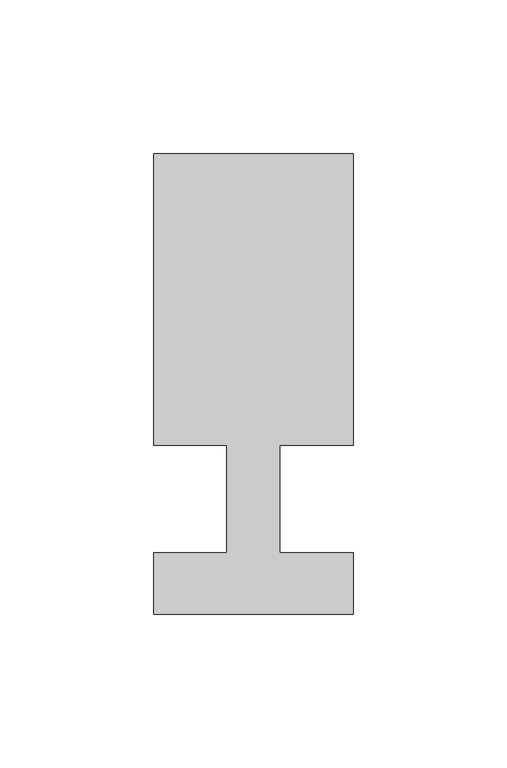
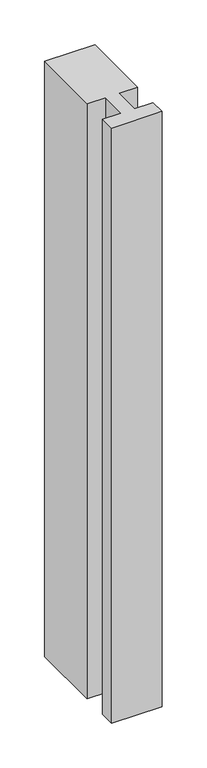
"""IFC4 building model written with IfcOpenShell, lengths in millimetres: member geometry."""

from ifc_helpers import new_model, si_unit, frame, origin, place, context, project, spatial, polyline, outline, extrude, source, transform, mapped, element, save


def member_aa9291bd(model_context):
    return source(origin(), model_context, "Body", "SweptSolid", [
        extrude(outline(polyline([(-65.0, -37.0), (-65.0, -17.0), (-41.1875, -17.0), (-41.1875, 18.0), (-65.0, 18.0), (-65.0, 113.0), (0.0, 113.0), (0.0, 18.0), (-23.8125, 18.0), (-23.8125, -17.0), (0.0, -17.0), (0.0, -37.0), (-65.0, -37.0)])), frame((0.0, 0.0, -811.5651835), z_axis=(0.0, 0.0, 1.0), x_axis=(1.0, 0.0, 0.0)), (0.0, 0.0, 1.0), 811.5651835),
    ])


if __name__ == "__main__":
    model = new_model("IFC4")
    model_context = context("Model", 3, world=origin())
    ifc_project = project(units=[si_unit("LENGTHUNIT", "METRE", prefix="MILLI")], contexts=[model_context])
    site = spatial("IfcSite", under=ifc_project)
    building = spatial("IfcBuilding", under=site)
    placement = place(None, origin())
    member_shape = member_aa9291bd(model_context)
    element("IfcMember", 1, at=placement, inside=building, context=model_context, shape_type="MappedRepresentation", body=[
        mapped(member_shape, transform((0.0, 0.0, 0.0), x_axis=(1.0, 0.0, 0.0), y_axis=(0.0, 1.0, 0.0), z_axis=(0.0, 0.0, 1.0))),
    ])
    save(model, "model.ifc")
